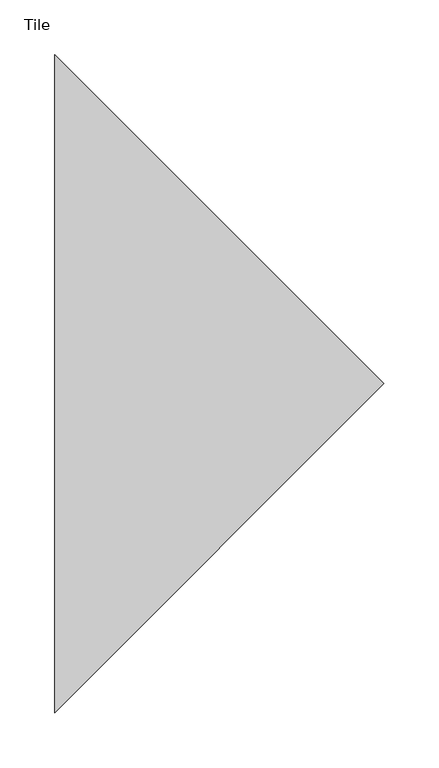
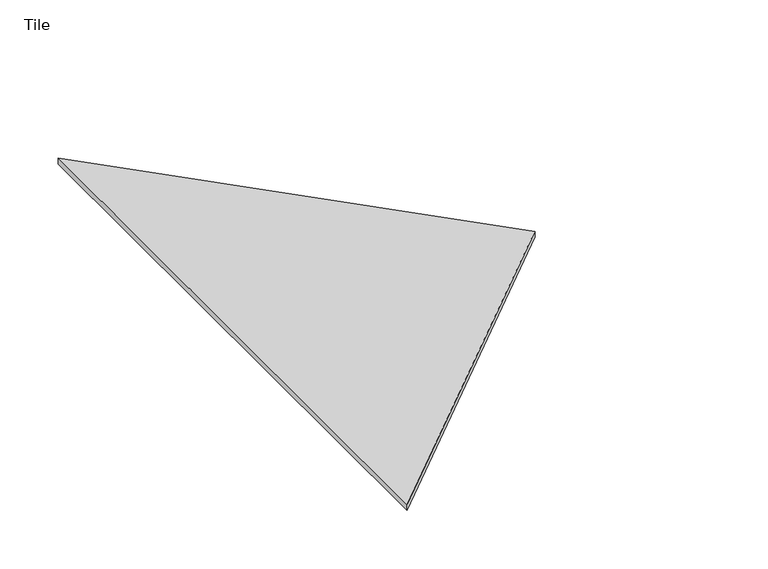
"""IFC4 building model written with IfcOpenShell, lengths in millimetres: proxy geometry, Tile."""

from ifc_helpers import new_model, si_unit, origin, origin_with_axes, place, context, project, spatial, polyline, outline, extrude, source, transform, mapped, element, save


def tile_132af75c(model_context):
    return source(origin(), model_context, "Body", "SweptSolid", [
        extrude(outline(polyline([(0.0, 0.0), (-300.0, -300.0), (-300.0, 300.0), (0.0, 0.0)])), origin_with_axes(), (0.0, 0.0, 1.0), 6.0),
    ])


if __name__ == "__main__":
    model = new_model("IFC4")
    model_context = context("Model", 3, world=origin())
    ifc_project = project(units=[si_unit("LENGTHUNIT", "METRE", prefix="MILLI")], contexts=[model_context])
    site = spatial("IfcSite", under=ifc_project)
    building = spatial("IfcBuilding", under=site)
    placement = place(None, origin())
    tile_shape = tile_132af75c(model_context)
    element("IfcBuildingElementProxy", 1, Name="Tile", ObjectType="Tile", at=placement, inside=building, context=model_context, shape_type="MappedRepresentation", body=[
        mapped(tile_shape, transform((0.0, 0.0, 0.0), x_axis=(1.0, 0.0, 0.0), y_axis=(0.0, 1.0, 0.0), z_axis=(0.0, 0.0, 1.0))),
    ])
    save(model, "model.ifc")
